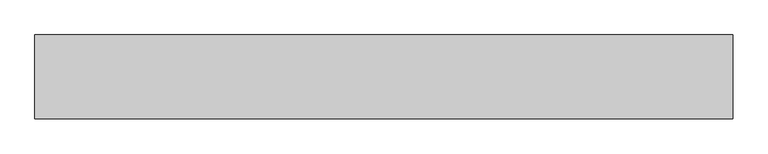
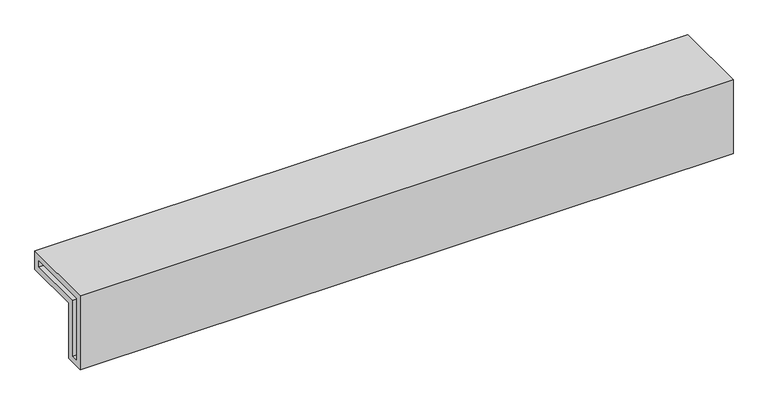
"""IFC4 building model written with IfcOpenShell, lengths in millimetres: proxy geometry."""

from ifc_helpers import new_model, si_unit, frame, origin, place, context, project, spatial, polyline, outline, extrude, source, transform, mapped, element, save


def generic_models_c3cfcd31(model_context):
    return source(origin(), model_context, "Body", "SweptSolid", [
        extrude(outline(polyline([(220.0, -40.0), (40.0, -40.0), (40.0, -220.0), (-20.0, -220.0), (-20.0, 20.0), (220.0, 20.0), (220.0, -40.0)]), holes=[polyline([(0.0, 0.0), (0.0, -200.0), (20.0, -200.0), (20.0, -20.0), (200.0, -20.0), (200.0, 0.0), (0.0, 0.0)])]), frame((-1000.0, 0.0, 0.0), z_axis=(1.0, 0.0, 0.0), x_axis=(0.0, 1.0, 0.0)), (0.0, 0.0, 1.0), 2000.0),
    ])


if __name__ == "__main__":
    model = new_model("IFC4")
    model_context = context("Model", 3, world=origin())
    ifc_project = project(units=[si_unit("LENGTHUNIT", "METRE", prefix="MILLI")], contexts=[model_context])
    site = spatial("IfcSite", under=ifc_project)
    building = spatial("IfcBuilding", under=site)
    placement = place(None, origin())
    generic_models_shape = generic_models_c3cfcd31(model_context)
    element("IfcBuildingElementProxy", 1, Name="Generic Models", at=placement, inside=building, context=model_context, shape_type="MappedRepresentation", body=[
        mapped(generic_models_shape, transform((0.0, 0.0, 0.0), x_axis=(1.0, 0.0, 0.0), y_axis=(0.0, 1.0, 0.0), z_axis=(0.0, 0.0, 1.0))),
    ])
    save(model, "model.ifc")
